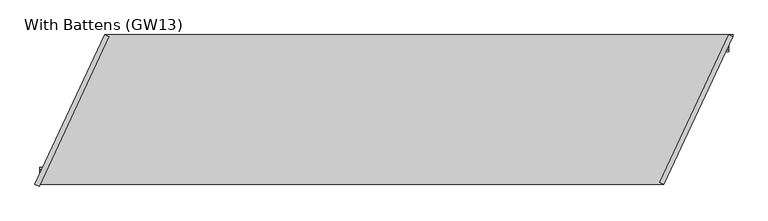
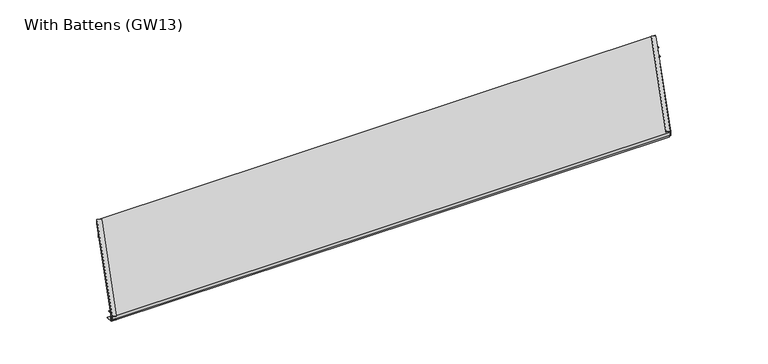
"""IFC4 building model written with IfcOpenShell, lengths in millimetres: proxy geometry, With Battens (GW13)."""

from ifc_helpers import new_model, si_unit, frame, origin, place, context, project, spatial, polyline, outline, extrude, source, transform, mapped, element, save


def with_battens_gw13_69b7b3fe(model_context):
    return source(origin(), model_context, "Body", "SweptSolid", [
        extrude(outline(polyline([(-70.0, 0.0), (-70.0, 2.0), (-42.0, 2.0), (-42.0, 38.0), (-60.0, 38.0), (-60.0, 40.0), (-40.0, 40.0), (-40.0, 0.0), (-70.0, 0.0)])), frame((268.1269034, 0.0, 0.0), z_axis=(1.0, 0.0, 0.0), x_axis=(0.0, 1.0, 0.0)), (0.0, 0.0, 1.0), 2576.3874408),
        extrude(outline(polyline([(-545.0, 0.0), (-575.0, 0.0), (-575.0, 40.0), (-555.0, 40.0), (-555.0, 38.0), (-573.0, 38.0), (-573.0, 2.0), (-545.0, 2.0), (-545.0, 0.0)])), frame((18.6523063, 0.0, 0.0), z_axis=(1.0, 0.0, 0.0), x_axis=(0.0, 1.0, 0.0)), (0.0, 0.0, 1.0), 2576.3874408),
        extrude(outline(polyline([(2863.1666505, 0.0), (2576.3874408, -615.0), (0.0, -615.0), (286.7792098, 0.0), (2863.1666505, 0.0)])), frame((0.0, 0.0, 40.0), z_axis=(0.0, 0.0, 1.0), x_axis=(1.0, 0.0, 0.0)), (0.0, 0.0, 1.0), 15.0),
        extrude(outline(polyline([(19.0, 0.0), (19.0, -2.0), (2.0, -2.0), (2.0, -17.0), (19.0, -17.0), (19.0, -19.0), (0.0, -19.0), (0.0, 0.0), (19.0, 0.0)])), frame((2578.5941966, -615.0, 57.0), z_axis=(0.42261826174069766, 0.9063077870366508, 0.0), x_axis=(-0.9063077870366508, 0.42261826174069766, 0.0)), (0.0, 0.0, 1.0), 669.7175747),
        extrude(outline(polyline([(19.0, 0.0), (19.0, -2.0), (2.0, -2.0), (2.0, -17.0), (19.0, -17.0), (19.0, -19.0), (0.0, -19.0), (0.0, 0.0), (19.0, 0.0)])), frame((-1.8126156, -614.1547635, 38.0), z_axis=(0.4226182617407062, 0.9063077870366468, 0.0), x_axis=(0.9063077870366468, -0.4226182617407062, 0.0)), (0.0, 0.0, 1.0), 677.6448048),
    ])


if __name__ == "__main__":
    model = new_model("IFC4")
    model_context = context("Model", 3, world=origin())
    ifc_project = project(units=[si_unit("LENGTHUNIT", "METRE", prefix="MILLI")], contexts=[model_context])
    site = spatial("IfcSite", under=ifc_project)
    building = spatial("IfcBuilding", under=site)
    placement = place(None, origin())
    with_battens_gw13_shape = with_battens_gw13_69b7b3fe(model_context)
    element("IfcBuildingElementProxy", 1, Name="With Battens (GW13)", ObjectType="With Battens (GW13)", at=placement, inside=building, context=model_context, shape_type="MappedRepresentation", body=[
        mapped(with_battens_gw13_shape, transform((0.0, 0.0, 0.0), x_axis=(1.0, 0.0, 0.0), y_axis=(0.0, 1.0, 0.0), z_axis=(0.0, 0.0, 1.0))),
    ])
    save(model, "model.ifc")
